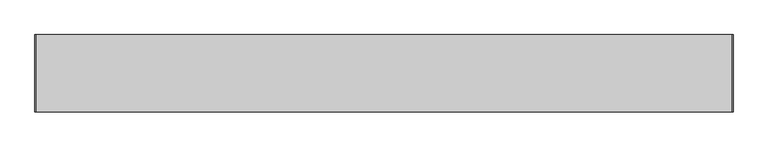
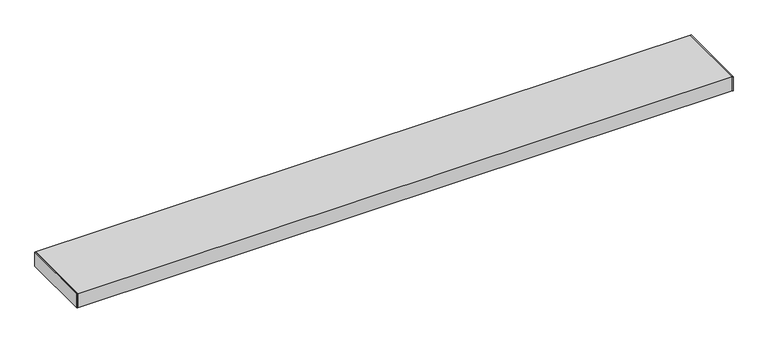
"""IFC4 building model written with IfcOpenShell, lengths in millimetres: proxy geometry."""

from ifc_helpers import new_model, si_unit, frame, origin, origin_with_axes, place, context, project, spatial, polyline, outline, extrude, source, transform, mapped, element, save


def generic_models_6d9729b5(model_context):
    return source(origin(), model_context, "Body", "SweptSolid", [
        extrude(outline(polyline([(0.0, -101.6), (0.0, 101.6), (1.651, 101.6), (1.651, -101.6), (0.0, -101.6)])), origin_with_axes(), (0.0, 0.0, 1.0), 41.28),
        extrude(outline(polyline([(1828.8, -101.6), (1827.149, -101.6), (1827.149, 101.6), (1828.8, 101.6), (1828.8, -101.6)])), origin_with_axes(), (0.0, 0.0, 1.0), 41.28),
        extrude(outline(polyline([(-101.6, 0.0), (-101.6, 41.28), (101.6, 41.28), (101.6, 0.0), (-101.6, 0.0)]), holes=[polyline([(99.65, 1.65), (99.65, 39.63), (-99.65, 39.63), (-99.65, 1.65), (99.65, 1.65)])]), frame((1.651, 0.0, 0.0), z_axis=(1.0, 0.0, 0.0), x_axis=(0.0, 1.0, 0.0)), (0.0, 0.0, 1.0), 1825.498),
    ])


if __name__ == "__main__":
    model = new_model("IFC4")
    model_context = context("Model", 3, world=origin())
    ifc_project = project(units=[si_unit("LENGTHUNIT", "METRE", prefix="MILLI")], contexts=[model_context])
    site = spatial("IfcSite", under=ifc_project)
    building = spatial("IfcBuilding", under=site)
    placement = place(None, origin())
    generic_models_shape = generic_models_6d9729b5(model_context)
    element("IfcBuildingElementProxy", 1, Name="Generic Models", at=placement, inside=building, context=model_context, shape_type="MappedRepresentation", body=[
        mapped(generic_models_shape, transform((0.0, 0.0, 0.0), x_axis=(1.0, 0.0, 0.0), y_axis=(0.0, 1.0, 0.0), z_axis=(0.0, 0.0, 1.0))),
    ])
    save(model, "model.ifc")
